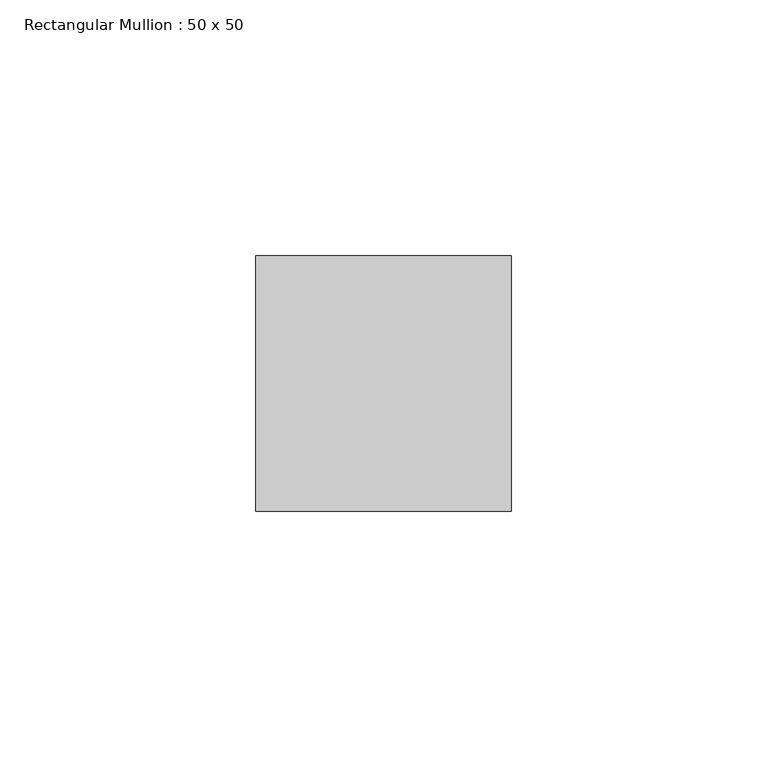
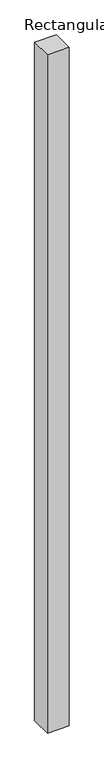
"""IFC4 building model written with IfcOpenShell, lengths in millimetres: member geometry, Rectangular Mullion : 50 x 50."""

from ifc_helpers import new_model, si_unit, frame, origin, place, context, project, spatial, polyline, outline, extrude, source, transform, mapped, element, save


def rectangular_mullion_50_x_50_258e8bec(model_context):
    return source(origin(), model_context, "Body", "SweptSolid", [
        extrude(outline(polyline([(25.0, 25.0), (25.0, -25.0), (-25.0, -25.0), (-25.0, 25.0), (25.0, 25.0)])), frame((0.0, 0.0, -1637.2820357), z_axis=(0.0, 0.0, 1.0), x_axis=(1.0, 0.0, 0.0)), (0.0, 0.0, 1.0), 1637.2820357),
    ])


if __name__ == "__main__":
    model = new_model("IFC4")
    model_context = context("Model", 3, world=origin())
    ifc_project = project(units=[si_unit("LENGTHUNIT", "METRE", prefix="MILLI")], contexts=[model_context])
    site = spatial("IfcSite", under=ifc_project)
    building = spatial("IfcBuilding", under=site)
    placement = place(None, origin())
    rectangular_mullion_50_x_50_shape = rectangular_mullion_50_x_50_258e8bec(model_context)
    element("IfcMember", 1, ObjectType="Rectangular Mullion : 50 x 50", at=placement, inside=building, context=model_context, shape_type="MappedRepresentation", body=[
        mapped(rectangular_mullion_50_x_50_shape, transform((0.0, 0.0, 0.0), x_axis=(1.0, 0.0, 0.0), y_axis=(0.0, 1.0, 0.0), z_axis=(0.0, 0.0, 1.0))),
    ])
    save(model, "model.ifc")
